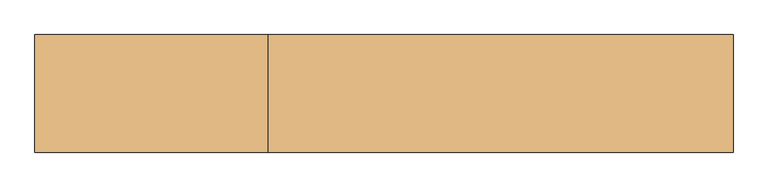
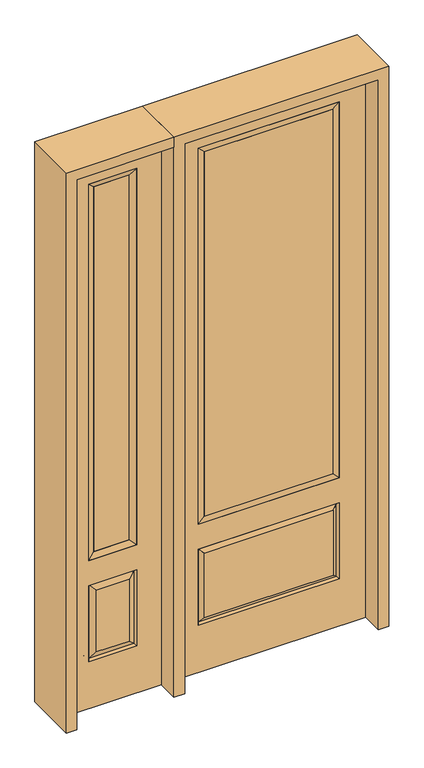
"""IFC4 building model written with IfcOpenShell, lengths in millimetres: door geometry."""

from ifc_helpers import new_model, si_unit, frame, origin, place, context, project, spatial, polyline, outline, extrude, faceted_brep, source, transform, mapped, element, save


def door_3adcf59d(model_context):
    return source(origin(), model_context, "Body", "SolidModel", [
        faceted_brep([(-857.25, -22.225, 0.0), (-450.85, -22.225, 0.0), (-450.85, -22.225, 2438.4), (-857.25, -22.225, 2438.4), (-553.72, -22.225, 2325.624), (-553.72, -22.225, 657.098), (-754.38, -22.225, 657.098), (-754.38, -22.225, 2325.624), (-553.72, -22.225, 209.55), (-754.38, -22.225, 209.55), (-754.38, -22.225, 546.1), (-553.72, -22.225, 546.1), (-722.6648999, -22.225, 241.2651001), (-585.4351001, -22.225, 241.2651001), (-585.4351001, -22.225, 514.3848999), (-722.6648999, -22.225, 514.3848999), (-857.25, 22.225, 0.0), (-857.25, 22.225, 2438.4), (-450.85, 22.225, 2438.4), (-450.85, 22.225, 0.0), (-553.72, 22.225, 2325.624), (-754.38, 22.225, 2325.624), (-754.38, 22.225, 657.098), (-553.72, 22.225, 657.098), (-754.38, 22.225, 209.55), (-553.72, 22.225, 209.55), (-553.72, 22.225, 546.1), (-754.38, 22.225, 546.1), (-585.4351001, 22.225, 241.2651001), (-722.6648999, 22.225, 241.2651001), (-722.6648999, 22.225, 514.3848999), (-585.4351001, 22.225, 514.3848999), (-560.8288501, 12.7912373, 216.6588501), (-747.2711499, 12.7912373, 216.6588501), (-747.2711499, 12.7912373, 538.9911499), (-560.8288501, 12.7912373, 538.9911499), (-747.2711499, -12.7912373, 216.6588501), (-560.8288501, -12.7912373, 216.6588501), (-747.2711499, -12.7912373, 538.9911499), (-560.8288501, -12.7912373, 538.9911499)], [[[0, 1, 2, 3], [4, 5, 6, 7], [8, 9, 10, 11]], [[12, 13, 14, 15]], [[16, 17, 18, 19], [20, 21, 22, 23], [24, 25, 26, 27]], [[28, 29, 30, 31]], [[1, 0, 16, 19]], [[2, 1, 19, 18]], [[3, 2, 18, 17]], [[0, 3, 17, 16]], [[5, 4, 20, 23]], [[6, 5, 23, 22]], [[7, 6, 22, 21]], [[4, 7, 21, 20]], [[32, 33, 29, 28]], [[33, 32, 25, 24]], [[29, 33, 34, 30]], [[33, 24, 27, 34]], [[30, 34, 35, 31]], [[34, 27, 26, 35]], [[32, 28, 31, 35]], [[25, 32, 35, 26]], [[12, 36, 37, 13]], [[37, 36, 9, 8]], [[36, 12, 15, 38]], [[9, 36, 38, 10]], [[38, 15, 14, 39]], [[10, 38, 39, 11]], [[13, 37, 39, 14]], [[37, 8, 11, 39]]]),
        faceted_brep([(-754.38, 22.225, 2325.624), (-754.38, -22.225, 2325.624), (-553.72, -22.225, 2325.624), (-553.72, 22.225, 2325.624), (-728.98, 12.7, 2300.224), (-579.12, 12.7, 2300.224), (-728.98, -12.7, 2300.224), (-579.12, -12.7, 2300.224), (-553.72, -22.225, 657.098), (-553.72, 22.225, 657.098), (-579.12, 12.7, 682.498), (-579.12, -12.7, 682.498), (-754.38, -22.225, 657.098), (-754.38, 22.225, 657.098), (-728.98, 12.7, 682.498), (-728.98, -12.7, 682.498)], [[[0, 1, 2, 3]], [[4, 0, 3, 5]], [[6, 4, 5, 7]], [[1, 6, 7, 2]], [[3, 2, 8, 9]], [[5, 3, 9, 10]], [[7, 5, 10, 11]], [[2, 7, 11, 8]], [[9, 8, 12, 13]], [[10, 9, 13, 14]], [[11, 10, 14, 15]], [[8, 11, 15, 12]], [[13, 12, 1, 0]], [[14, 13, 0, 4]], [[15, 14, 4, 6]], [[12, 15, 6, 1]]]),
        extrude(outline(polyline([(-579.12, -12.7), (-728.98, -12.7), (-728.98, 12.7), (-579.12, 12.7), (-579.12, -12.7)])), frame((0.0, 0.0, 682.498), z_axis=(0.0, 0.0, 1.0), x_axis=(1.0, 0.0, 0.0)), (0.0, 0.0, 1.0), 1617.726),
        extrude(outline(polyline([(269.875, -20.32), (-269.875, -20.32), (-269.875, 5.08), (269.875, 5.08), (269.875, -20.32)])), frame((0.0, 0.0, 682.498), z_axis=(0.0, 0.0, 1.0), x_axis=(1.0, 0.0, 0.0)), (0.0, 0.0, 1.0), 1616.202),
        faceted_brep([(-288.1661499, -12.7912373, 216.6588501), (288.1661499, -12.7912373, 216.6588501), (270.66875, -22.225, 234.15625), (-270.66875, -22.225, 234.15625), (-295.275, -22.225, 209.55), (295.275, -22.225, 209.55), (-288.1661499, -12.7912373, 538.9911499), (-295.275, -22.225, 546.1), (270.66875, -22.225, 521.49375), (-270.66875, -22.225, 521.49375), (406.4, -22.225, 2438.4), (-406.4, -22.225, 2438.4), (-406.4, -22.225, 0.0), (406.4, -22.225, 0.0), (295.275, -22.225, 546.1), (295.275, -22.225, 2324.1), (295.275, -22.225, 657.098), (-295.275, -22.225, 657.098), (-295.275, -22.225, 2324.1), (288.1661499, -12.7912373, 538.9911499), (-406.4, 22.225, 2438.4), (-406.4, 22.225, 0.0), (406.4, 22.225, 0.0), (406.4, 22.225, 2438.4), (295.275, 22.225, 2324.1), (295.275, 22.225, 657.098), (-295.275, 22.225, 657.098), (-295.275, 22.225, 2324.1), (-295.275, 22.225, 209.55), (295.275, 22.225, 209.55), (295.275, 22.225, 546.1), (-295.275, 22.225, 546.1), (270.66875, 22.225, 234.15625), (-270.66875, 22.225, 234.15625), (-270.66875, 22.225, 521.49375), (270.66875, 22.225, 521.49375), (-288.1661499, 12.7912373, 216.6588501), (288.1661499, 12.7912373, 216.6588501), (288.1661499, 12.7912373, 538.9911499), (-288.1661499, 12.7912373, 538.9911499)], [[[0, 1, 2, 3]], [[1, 0, 4, 5]], [[4, 0, 6, 7]], [[3, 2, 8, 9]], [[10, 11, 12, 13], [5, 4, 7, 14], [15, 16, 17, 18]], [[1, 5, 14, 19]], [[2, 1, 19, 8]], [[0, 3, 9, 6]], [[7, 6, 19, 14]], [[6, 9, 8, 19]], [[12, 11, 20, 21]], [[13, 12, 21, 22]], [[10, 13, 22, 23]], [[16, 15, 24, 25]], [[17, 16, 25, 26]], [[18, 17, 26, 27]], [[23, 22, 21, 20], [28, 29, 30, 31], [24, 27, 26, 25]], [[32, 33, 34, 35]], [[28, 36, 37, 29]], [[29, 37, 38, 30]], [[39, 31, 30, 38]], [[36, 28, 31, 39]], [[37, 36, 33, 32]], [[33, 36, 39, 34]], [[34, 39, 38, 35]], [[37, 32, 35, 38]], [[11, 10, 23, 20]], [[15, 18, 27, 24]]]),
        faceted_brep([(-295.275, -22.225, 2324.1), (-295.275, 22.225, 2324.1), (-295.275, 22.225, 657.098), (-295.275, -22.225, 657.098), (295.275, 22.225, 657.098), (295.275, -22.225, 657.098), (-269.875, 5.08, 682.498), (269.875, 5.08, 682.498), (295.275, 22.225, 2324.1), (295.275, -22.225, 2324.1), (-269.875, -20.32, 682.498), (269.875, -20.32, 682.498), (-269.875, -20.32, 2298.7), (269.875, -20.32, 2298.7), (-269.875, 5.08, 2298.7), (269.875, 5.08, 2298.7)], [[[0, 1, 2, 3]], [[3, 2, 4, 5]], [[2, 6, 7, 4]], [[5, 4, 8, 9]], [[10, 3, 5, 11]], [[12, 0, 3, 10]], [[11, 5, 9, 13]], [[6, 10, 11, 7]], [[14, 12, 10, 6]], [[7, 11, 13, 15]], [[1, 14, 6, 2]], [[4, 7, 15, 8]], [[9, 8, 1, 0]], [[13, 9, 0, 12]], [[15, 13, 12, 14]], [[8, 15, 14, 1]]]),
        extrude(outline(polyline([(2438.4, -450.85), (2482.85, -450.85), (2482.85, -901.7), (0.0, -901.7), (0.0, -857.25), (2438.4, -857.25), (2438.4, -450.85)])), frame((0.0, -114.3, 0.0), z_axis=(0.0, 1.0, 0.0), x_axis=(0.0, 0.0, 1.0)), (0.0, 0.0, 1.0), 228.6),
        extrude(outline(polyline([(2482.85, -450.85), (0.0, -450.85), (0.0, -406.4), (2438.4, -406.4), (2438.4, 406.4), (0.0, 406.4), (0.0, 450.85), (2482.85, 450.85), (2482.85, -450.85)])), frame((0.0, -114.3, 0.0), z_axis=(0.0, 1.0, 0.0), x_axis=(0.0, 0.0, 1.0)), (0.0, 0.0, 1.0), 228.6),
    ])


if __name__ == "__main__":
    model = new_model("IFC4")
    model_context = context("Model", 3, world=origin())
    ifc_project = project(units=[si_unit("LENGTHUNIT", "METRE", prefix="MILLI")], contexts=[model_context])
    site = spatial("IfcSite", under=ifc_project)
    building = spatial("IfcBuilding", under=site)
    placement = place(None, origin())
    door_shape = door_3adcf59d(model_context)
    element("IfcDoor", 1, at=placement, inside=building, context=model_context, shape_type="MappedRepresentation", body=[
        mapped(door_shape, transform((0.0, 0.0, 0.0), x_axis=(1.0, 0.0, 0.0), y_axis=(0.0, 1.0, 0.0), z_axis=(0.0, 0.0, 1.0))),
    ])
    save(model, "model.ifc")
